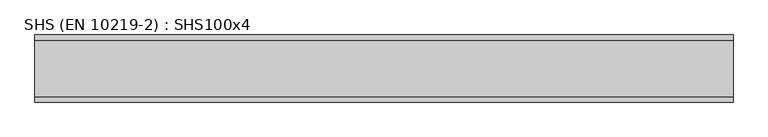
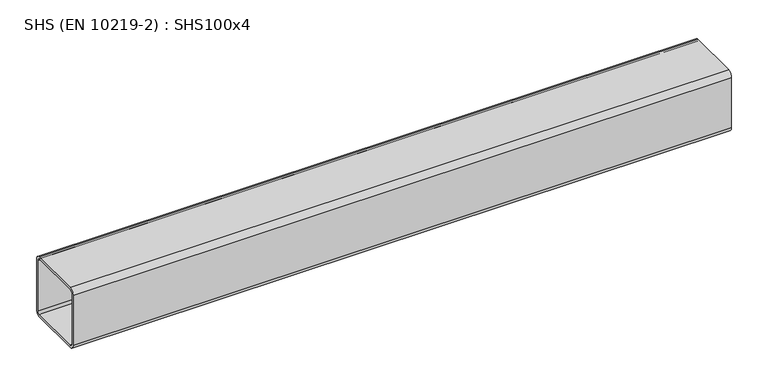
"""IFC4 building model written with IfcOpenShell, lengths in millimetres: beam geometry, SHS (EN 10219-2) : SHS100x4."""

from ifc_helpers import new_model, si_unit, point, frame, frame_2d, origin, place, context, project, spatial, polyline, circle_curve, trimmed, segment, composite_curve, outline, extrude, source, transform, mapped, element, save


def shs_en_10219_2_shs100x4_5e5aa93e(model_context):
    return source(origin(), model_context, "Body", "SweptSolid", [
        extrude(outline(composite_curve([segment(polyline([(50.0, 42.0), (50.0, -42.0)]), True, "CONTINUOUS"), segment(trimmed(circle_curve(frame_2d((42.0, -42.0)), 8.0), [point((50.0, -42.0))], [point((42.0, -50.0))], False, "CARTESIAN"), True, "CONTINUOUS"), segment(polyline([(42.0, -50.0), (-42.0, -50.0)]), True, "CONTINUOUS"), segment(trimmed(circle_curve(frame_2d((-42.0, -42.0)), 8.0), [point((-42.0, -50.0))], [point((-50.0, -42.0))], False, "CARTESIAN"), True, "CONTINUOUS"), segment(polyline([(-50.0, -42.0), (-50.0, 42.0)]), True, "CONTINUOUS"), segment(trimmed(circle_curve(frame_2d((-42.0, 42.0)), 8.0), [point((-50.0, 42.0))], [point((-42.0, 50.0))], False, "CARTESIAN"), True, "CONTINUOUS"), segment(polyline([(-42.0, 50.0), (42.0, 50.0)]), True, "CONTINUOUS"), segment(trimmed(circle_curve(frame_2d((42.0, 42.0)), 8.0), [point((42.0, 50.0))], [point((50.0, 42.0))], False, "CARTESIAN"), True, "CONTINUOUS")], self_intersect=False), holes=[composite_curve([segment(trimmed(circle_curve(frame_2d((-42.0, 42.0)), 4.0), [point((-42.0, 46.0))], [point((-46.0, 42.0))], True, "CARTESIAN"), True, "CONTINUOUS"), segment(polyline([(-46.0, 42.0), (-46.0, -42.0)]), True, "CONTINUOUS"), segment(trimmed(circle_curve(frame_2d((-42.0, -42.0)), 4.0), [point((-46.0, -42.0))], [point((-42.0, -46.0))], True, "CARTESIAN"), True, "CONTINUOUS"), segment(polyline([(-42.0, -46.0), (42.0, -46.0)]), True, "CONTINUOUS"), segment(trimmed(circle_curve(frame_2d((42.0, -42.0)), 4.0), [point((42.0, -46.0))], [point((46.0, -42.0))], True, "CARTESIAN"), True, "CONTINUOUS"), segment(polyline([(46.0, -42.0), (46.0, 42.0)]), True, "CONTINUOUS"), segment(trimmed(circle_curve(frame_2d((42.0, 42.0)), 4.0), [point((46.0, 42.0))], [point((42.0, 46.0))], True, "CARTESIAN"), True, "CONTINUOUS"), segment(polyline([(42.0, 46.0), (-42.0, 46.0)]), True, "CONTINUOUS")], self_intersect=False)]), frame((-520.0, 0.0, 0.0), z_axis=(1.0, 0.0, 0.0), x_axis=(0.0, 1.0, 0.0)), (0.0, 0.0, 1.0), 1040.0),
    ])


if __name__ == "__main__":
    model = new_model("IFC4")
    model_context = context("Model", 3, world=origin())
    ifc_project = project(units=[si_unit("LENGTHUNIT", "METRE", prefix="MILLI")], contexts=[model_context])
    site = spatial("IfcSite", under=ifc_project)
    building = spatial("IfcBuilding", under=site)
    placement = place(None, origin())
    shs_en_10219_2_shs100x4_shape = shs_en_10219_2_shs100x4_5e5aa93e(model_context)
    element("IfcBeam", 1, ObjectType="SHS (EN 10219-2) : SHS100x4", at=placement, inside=building, context=model_context, shape_type="MappedRepresentation", body=[
        mapped(shs_en_10219_2_shs100x4_shape, transform((0.0, 0.0, 0.0), x_axis=(1.0, 0.0, 0.0), y_axis=(0.0, 1.0, 0.0), z_axis=(0.0, 0.0, 1.0))),
    ])
    save(model, "model.ifc")
